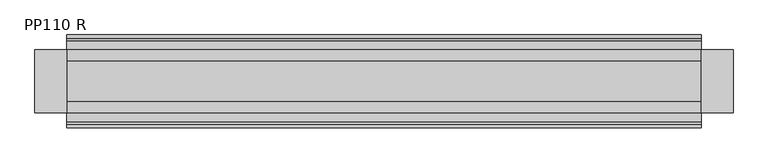
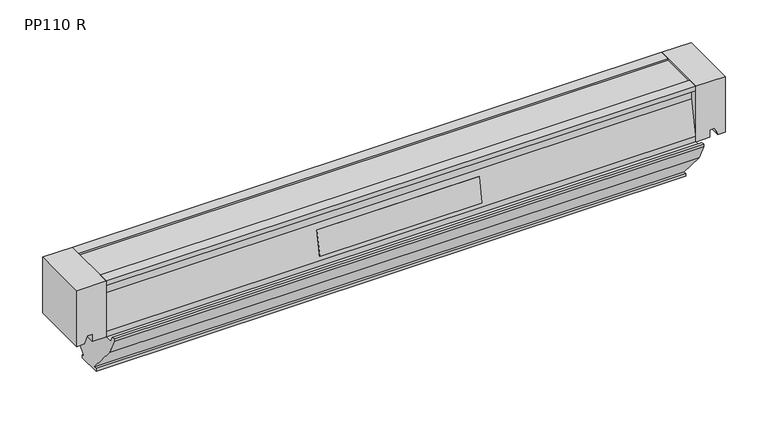
"""IFC4 building model written with IfcOpenShell, lengths in millimetres: proxy geometry, PP110 R."""

from ifc_helpers import new_model, si_unit, frame, origin, place, context, project, spatial, polyline, outline, extrude, source, transform, mapped, element, save


def pp110_r_450da704(model_context):
    return source(origin(), model_context, "Body", "SweptSolid", [
        extrude(outline(polyline([(-100.0, 1050.0), (-100.0, 1074.0), (-86.9906337, 1074.0), (-86.9906337, 1082.5783025), (-100.0, 1087.0), (-100.0, 1100.0), (0.0, 1100.0), (0.0, 1050.0), (-100.0, 1050.0)])), frame((0.0, -50.0, 0.0), z_axis=(0.0, 1.0, 0.0), x_axis=(0.0, 0.0, 1.0)), (0.0, 0.0, 1.0), 100.0),
        extrude(outline(polyline([(-100.0, 50.0), (0.0, 50.0), (0.0, 0.0), (-100.0, 0.0), (-100.0, 13.0), (-86.9906337, 17.4216975), (-86.9906337, 26.0), (-100.0, 26.0), (-100.0, 50.0)])), frame((0.0, -50.0, 0.0), z_axis=(0.0, 1.0, 0.0), x_axis=(0.0, 0.0, 1.0)), (0.0, 0.0, 1.0), 100.0),
        extrude(outline(polyline([(0.0, -0.9999999), (0.0, 0.0), (275.0, 0.0), (275.0, -0.9999999), (0.0, -0.9999999)])), frame((687.5, -49.6077677, -82.9398191), z_axis=(0.0, 0.1961161351381938, 0.9805806756909182), x_axis=(-1.0, 0.0, 0.0)), (0.0, 0.0, 1.0), 43.0),
        extrude(outline(polyline([(0.0, -0.9999999), (0.0, 0.0), (275.0, 0.0), (275.0, -0.9999999), (0.0, -0.9999999)])), frame((687.5, 48.6271871, -83.1359353), z_axis=(0.0, -0.1961161351381938, 0.9805806756909182), x_axis=(-1.0, 0.0, 0.0)), (0.0, 0.0, 1.0), 43.0),
        extrude(outline(polyline([(-20.0, -175.0), (-15.0, -175.0), (-60.0751006, -121.8009627), (-73.0, -94.0834265), (-73.0, -90.0), (-67.9101471, -90.0), (-63.799036, -100.0), (-49.829883, -100.0), (-49.829883, -90.0), (-38.0, -30.0), (-38.0, -8.0), (-50.0, -8.0), (-50.0, 0.0), (-32.0, 0.0), (-32.0, -22.0), (32.0, -22.0), (32.0, 0.0), (50.0, 0.0), (50.0, -8.0), (38.0, -8.0), (38.0, -30.0), (49.829883, -90.0), (49.829883, -100.0), (63.799036, -100.0), (67.9101471, -90.0), (73.0, -90.0), (73.0, -94.0834265), (60.0751006, -121.8009627), (15.0, -175.0), (20.0, -175.0), (20.0, -180.0), (-20.0, -180.0), (-20.0, -175.0)])), frame((50.0, 0.0, 0.0), z_axis=(1.0, 0.0, 0.0), x_axis=(0.0, 1.0, 0.0)), (0.0, 0.0, 1.0), 1000.0),
        extrude(outline(polyline([(1050.0, 32.0), (1050.0, -32.0), (50.0, -32.0), (50.0, 32.0), (1050.0, 32.0)])), frame((0.0, 0.0, -22.0), z_axis=(0.0, 0.0, 1.0), x_axis=(1.0, 0.0, 0.0)), (0.0, 0.0, 1.0), 19.0),
    ])


if __name__ == "__main__":
    model = new_model("IFC4")
    model_context = context("Model", 3, world=origin())
    ifc_project = project(units=[si_unit("LENGTHUNIT", "METRE", prefix="MILLI")], contexts=[model_context])
    site = spatial("IfcSite", under=ifc_project)
    building = spatial("IfcBuilding", under=site)
    placement = place(None, origin())
    pp110_r_shape = pp110_r_450da704(model_context)
    element("IfcBuildingElementProxy", 1, Name="PP110 R", ObjectType="PP110 R", at=placement, inside=building, context=model_context, shape_type="MappedRepresentation", body=[
        mapped(pp110_r_shape, transform((0.0, 0.0, 0.0), x_axis=(1.0, 0.0, 0.0), y_axis=(0.0, 1.0, 0.0), z_axis=(0.0, 0.0, 1.0))),
    ])
    save(model, "model.ifc")
